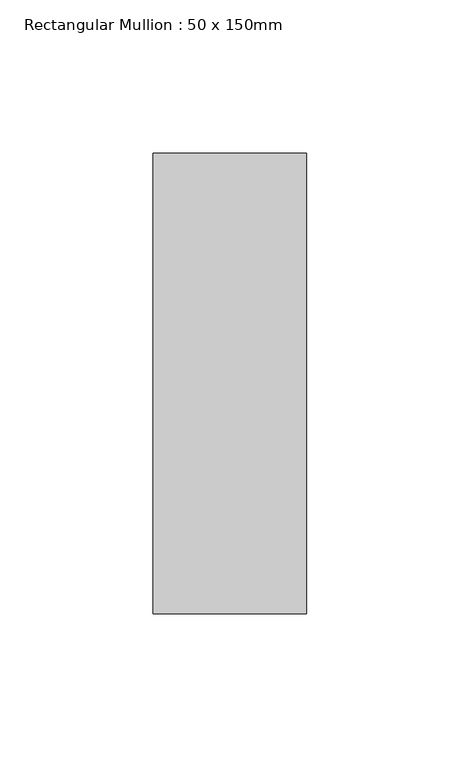
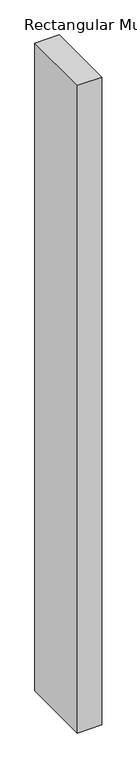
"""IFC4 building model written with IfcOpenShell, lengths in millimetres: member geometry, Rectangular Mullion : 50 x 150mm."""

from ifc_helpers import new_model, si_unit, frame, origin, place, context, project, spatial, polyline, outline, extrude, source, transform, mapped, element, save


def rectangular_mullion_50_x_150mm_903660f3(model_context):
    return source(origin(), model_context, "Body", "SweptSolid", [
        extrude(outline(polyline([(0.0, 75.0), (0.0, -75.0), (-50.0, -75.0), (-50.0, 75.0), (0.0, 75.0)])), frame((0.0, 0.0, -1394.4556665), z_axis=(0.0, 0.0, 1.0), x_axis=(1.0, 0.0, 0.0)), (0.0, 0.0, 1.0), 1394.4556665),
    ])


if __name__ == "__main__":
    model = new_model("IFC4")
    model_context = context("Model", 3, world=origin())
    ifc_project = project(units=[si_unit("LENGTHUNIT", "METRE", prefix="MILLI")], contexts=[model_context])
    site = spatial("IfcSite", under=ifc_project)
    building = spatial("IfcBuilding", under=site)
    placement = place(None, origin())
    rectangular_mullion_50_x_150mm_shape = rectangular_mullion_50_x_150mm_903660f3(model_context)
    element("IfcMember", 1, ObjectType="Rectangular Mullion : 50 x 150mm", at=placement, inside=building, context=model_context, shape_type="MappedRepresentation", body=[
        mapped(rectangular_mullion_50_x_150mm_shape, transform((0.0, 0.0, 0.0), x_axis=(1.0, 0.0, 0.0), y_axis=(0.0, 1.0, 0.0), z_axis=(0.0, 0.0, 1.0))),
    ])
    save(model, "model.ifc")
